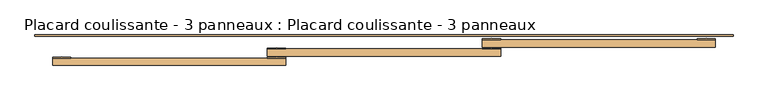
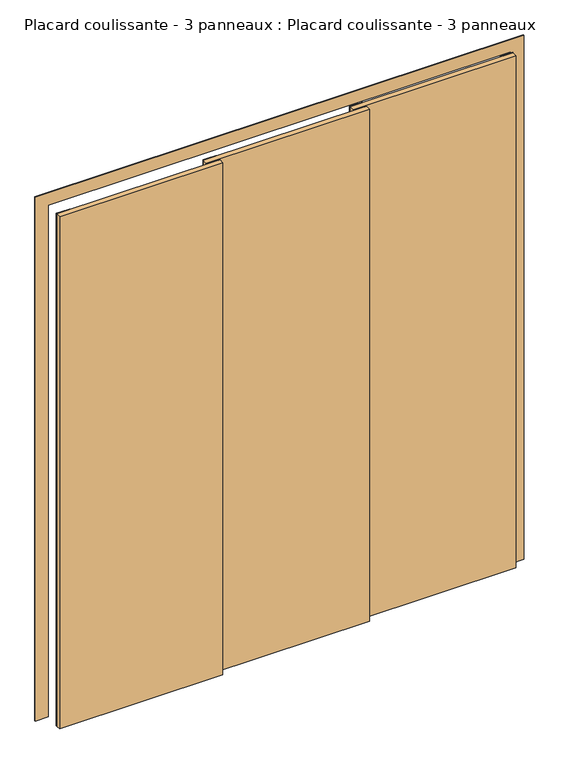
"""IFC4 building model written with IfcOpenShell, lengths in millimetres: door geometry, Placard coulissante - 3 panneaux : Placard coulissante - 3 panneaux."""

from ifc_helpers import new_model, si_unit, point, frame, frame_2d, origin, origin_with_axes, place, context, project, spatial, polyline, circle_curve, trimmed, segment, composite_curve, outline, extrude, source, transform, mapped, element, save


def placard_coulissante_3_panneaux_placard_coulissante_3_5c12ae55(model_context):
    return source(origin(), model_context, "Body", "SweptSolid", [
        extrude(outline(composite_curve([segment(polyline([(900.0, 65.0), (850.0, 65.0), (850.0, 67.0)]), True, "CONTINUOUS"), segment(trimmed(circle_curve(frame_2d((875.0, -146.8603852)), 215.3166607), [point((850.0, 67.0))], [point((900.0, 67.0))], False, "CARTESIAN"), True, "CONTINUOUS"), segment(polyline([(900.0, 67.0), (900.0, 65.0)]), True, "CONTINUOUS")], self_intersect=False)), origin_with_axes(), (0.0, 0.0, 1.0), 2100.0),
        extrude(outline(composite_curve([segment(polyline([(316.6666667, 65.0), (266.6666667, 65.0), (266.6666667, 67.0)]), True, "CONTINUOUS"), segment(trimmed(circle_curve(frame_2d((291.6666667, -146.8603852)), 215.3166607), [point((266.6666667, 67.0))], [point((316.6666667, 67.0))], False, "CARTESIAN"), True, "CONTINUOUS"), segment(polyline([(316.6666667, 67.0), (316.6666667, 65.0)]), True, "CONTINUOUS")], self_intersect=False)), origin_with_axes(), (0.0, 0.0, 1.0), 2100.0),
        extrude(outline(composite_curve([segment(polyline([(316.6666667, 40.0), (266.6666667, 40.0), (266.6666667, 42.0)]), True, "CONTINUOUS"), segment(trimmed(circle_curve(frame_2d((291.6666667, -171.8603852)), 215.3166607), [point((266.6666667, 42.0))], [point((316.6666667, 42.0))], False, "CARTESIAN"), True, "CONTINUOUS"), segment(polyline([(316.6666667, 42.0), (316.6666667, 40.0)]), True, "CONTINUOUS")], self_intersect=False)), origin_with_axes(), (0.0, 0.0, 1.0), 2100.0),
        extrude(outline(composite_curve([segment(polyline([(-266.6666667, 40.0), (-316.6666667, 40.0), (-316.6666667, 42.0)]), True, "CONTINUOUS"), segment(trimmed(circle_curve(frame_2d((-291.6666667, -171.8603852)), 215.3166607), [point((-316.6666667, 42.0))], [point((-266.6666667, 42.0))], False, "CARTESIAN"), True, "CONTINUOUS"), segment(polyline([(-266.6666667, 42.0), (-266.6666667, 40.0)]), True, "CONTINUOUS")], self_intersect=False)), origin_with_axes(), (0.0, 0.0, 1.0), 2100.0),
        extrude(outline(composite_curve([segment(polyline([(-266.6666667, 15.0), (-316.6666667, 15.0), (-316.6666667, 17.0)]), True, "CONTINUOUS"), segment(trimmed(circle_curve(frame_2d((-291.6666667, -196.8603852)), 215.3166607), [point((-316.6666667, 17.0))], [point((-266.6666667, 17.0))], False, "CARTESIAN"), True, "CONTINUOUS"), segment(polyline([(-266.6666667, 17.0), (-266.6666667, 15.0)]), True, "CONTINUOUS")], self_intersect=False)), origin_with_axes(), (0.0, 0.0, 1.0), 2100.0),
        extrude(outline(composite_curve([segment(polyline([(-850.0, 15.0), (-900.0, 15.0), (-900.0, 17.0)]), True, "CONTINUOUS"), segment(trimmed(circle_curve(frame_2d((-875.0, -196.8603852)), 215.3166607), [point((-900.0, 17.0))], [point((-850.0, 17.0))], False, "CARTESIAN"), True, "CONTINUOUS"), segment(polyline([(-850.0, 17.0), (-850.0, 15.0)]), True, "CONTINUOUS")], self_intersect=False)), origin_with_axes(), (0.0, 0.0, 1.0), 2100.0),
        extrude(outline(polyline([(0.0, -898.0), (2098.0, -898.0), (2098.0, 898.0), (0.0, 898.0), (0.0, 948.0), (2148.0, 948.0), (2148.0, -948.0), (0.0, -948.0), (0.0, -898.0)])), frame((0.0, 75.0, 0.0), z_axis=(0.0, 1.0, 0.0), x_axis=(0.0, 0.0, 1.0)), (0.0, 0.0, 1.0), 3.0),
        extrude(outline(polyline([(900.0, 65.0), (900.0, 45.0), (266.6666667, 45.0), (266.6666667, 65.0), (900.0, 65.0)])), origin_with_axes(), (0.0, 0.0, 1.0), 2100.0),
        extrude(outline(polyline([(316.6666667, 40.0), (316.6666667, 20.0), (-316.6666667, 20.0), (-316.6666667, 40.0), (316.6666667, 40.0)])), origin_with_axes(), (0.0, 0.0, 1.0), 2100.0),
        extrude(outline(polyline([(-266.6666667, -5.0), (-900.0, -5.0), (-900.0, 15.0), (-266.6666667, 15.0), (-266.6666667, -5.0)])), origin_with_axes(), (0.0, 0.0, 1.0), 2100.0),
    ])


if __name__ == "__main__":
    model = new_model("IFC4")
    model_context = context("Model", 3, world=origin())
    ifc_project = project(units=[si_unit("LENGTHUNIT", "METRE", prefix="MILLI")], contexts=[model_context])
    site = spatial("IfcSite", under=ifc_project)
    building = spatial("IfcBuilding", under=site)
    placement = place(None, origin())
    placard_coulissante_3_panneaux_placard_coulissante_3_shape = placard_coulissante_3_panneaux_placard_coulissante_3_5c12ae55(model_context)
    element("IfcDoor", 1, ObjectType="Placard coulissante - 3 panneaux : Placard coulissante - 3 panneaux", at=placement, inside=building, context=model_context, shape_type="MappedRepresentation", body=[
        mapped(placard_coulissante_3_panneaux_placard_coulissante_3_shape, transform((0.0, 0.0, 0.0), x_axis=(1.0, 0.0, 0.0), y_axis=(0.0, 1.0, 0.0), z_axis=(0.0, 0.0, 1.0))),
    ])
    save(model, "model.ifc")
